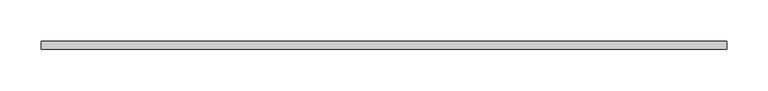
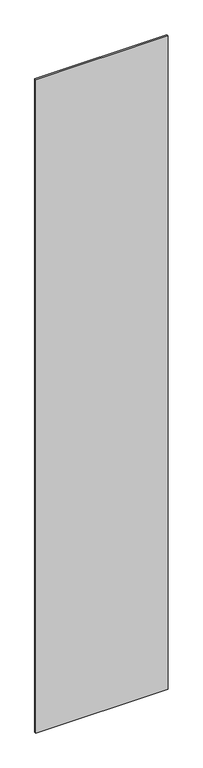
"""IFC4 building model written with IfcOpenShell, lengths in millimetres: plate geometry."""

from ifc_helpers import new_model, si_unit, origin, origin_with_axes, place, context, project, spatial, polyline, outline, extrude, source, transform, mapped, element, save


def plate_c840b4a1(model_context):
    return source(origin(), model_context, "Body", "SweptSolid", [
        extrude(outline(polyline([(417.5, -5.0), (-417.5, -5.0), (-417.5, 5.0), (417.5, 5.0), (417.5, -5.0)])), origin_with_axes(), (0.0, 0.0, 1.0), 4360.0),
    ])


if __name__ == "__main__":
    model = new_model("IFC4")
    model_context = context("Model", 3, world=origin())
    ifc_project = project(units=[si_unit("LENGTHUNIT", "METRE", prefix="MILLI")], contexts=[model_context])
    site = spatial("IfcSite", under=ifc_project)
    building = spatial("IfcBuilding", under=site)
    placement = place(None, origin())
    plate_shape = plate_c840b4a1(model_context)
    element("IfcPlate", 1, at=placement, inside=building, context=model_context, shape_type="MappedRepresentation", body=[
        mapped(plate_shape, transform((0.0, 0.0, 0.0), x_axis=(1.0, 0.0, 0.0), y_axis=(0.0, 1.0, 0.0), z_axis=(0.0, 0.0, 1.0))),
    ])
    save(model, "model.ifc")
